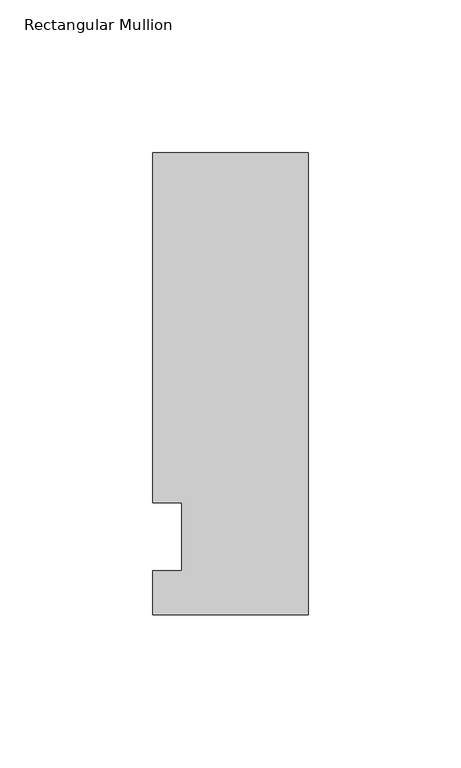
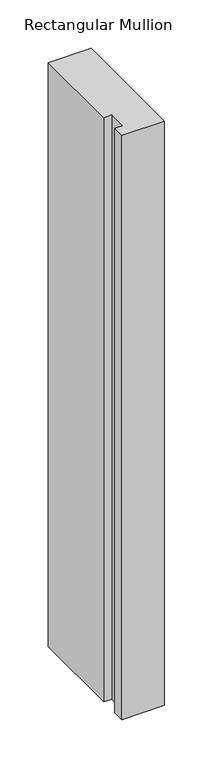
"""IFC4 building model written with IfcOpenShell, lengths in millimetres: member geometry, Rectangular Mullion."""

from ifc_helpers import new_model, si_unit, frame, origin, place, context, project, spatial, polyline, outline, extrude, source, transform, mapped, element, save


def rectangular_mullion_6315ae3d(model_context):
    return source(origin(), model_context, "Body", "SweptSolid", [
        extrude(outline(polyline([(-50.8, -25.5984375), (-50.8, -11.1125), (-41.275, -11.1125), (-41.275, 11.1125), (-50.8, 11.1125), (-50.8, 125.6109375), (0.0, 125.6109375), (0.0, -25.5984375), (-50.8, -25.5984375)])), frame((0.0, 0.0, -736.6), z_axis=(0.0, 0.0, 1.0), x_axis=(1.0, 0.0, 0.0)), (0.0, 0.0, 1.0), 736.6),
    ])


if __name__ == "__main__":
    model = new_model("IFC4")
    model_context = context("Model", 3, world=origin())
    ifc_project = project(units=[si_unit("LENGTHUNIT", "METRE", prefix="MILLI")], contexts=[model_context])
    site = spatial("IfcSite", under=ifc_project)
    building = spatial("IfcBuilding", under=site)
    placement = place(None, origin())
    rectangular_mullion_shape = rectangular_mullion_6315ae3d(model_context)
    element("IfcMember", 1, ObjectType="Rectangular Mullion", at=placement, inside=building, context=model_context, shape_type="MappedRepresentation", body=[
        mapped(rectangular_mullion_shape, transform((0.0, 0.0, 0.0), x_axis=(1.0, 0.0, 0.0), y_axis=(0.0, 1.0, 0.0), z_axis=(0.0, 0.0, 1.0))),
    ])
    save(model, "model.ifc")
